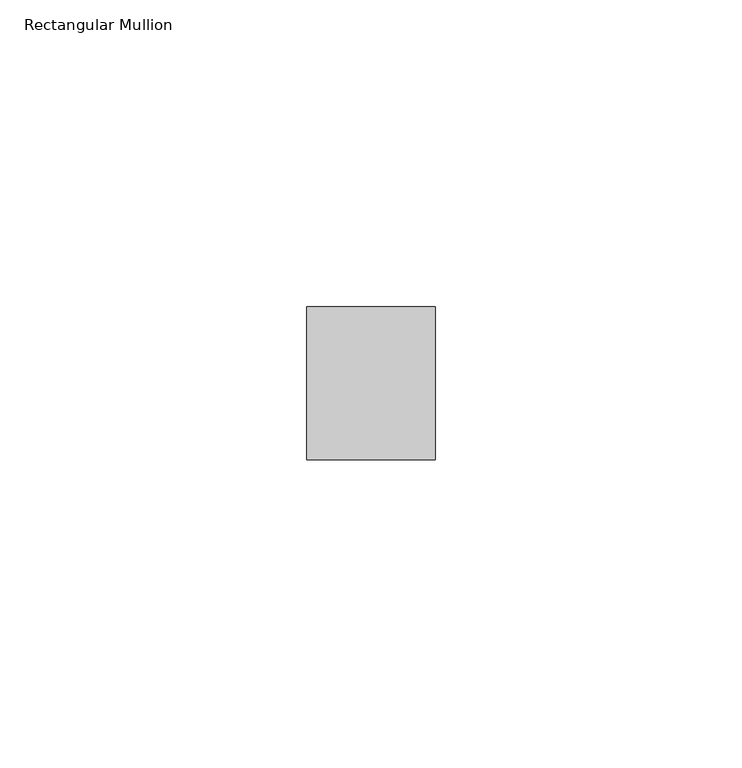
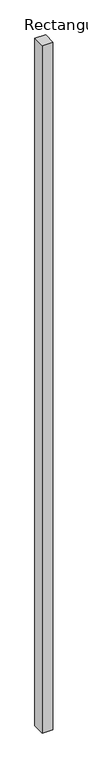
"""IFC4 building model written with IfcOpenShell, lengths in millimetres: member geometry, Rectangular Mullion."""

from ifc_helpers import new_model, si_unit, frame, origin, place, context, project, spatial, polyline, outline, extrude, source, transform, mapped, element, save


def rectangular_mullion_84f0fee9(model_context):
    return source(origin(), model_context, "Body", "SweptSolid", [
        extrude(outline(polyline([(0.0, 12.5), (0.0, -12.5), (-21.0, -12.5), (-21.0, 12.5), (0.0, 12.5)])), frame((0.0, 0.0, -1424.9999998), z_axis=(0.0, 0.0, 1.0), x_axis=(1.0, 0.0, 0.0)), (0.0, 0.0, 1.0), 1424.9999998),
    ])


if __name__ == "__main__":
    model = new_model("IFC4")
    model_context = context("Model", 3, world=origin())
    ifc_project = project(units=[si_unit("LENGTHUNIT", "METRE", prefix="MILLI")], contexts=[model_context])
    site = spatial("IfcSite", under=ifc_project)
    building = spatial("IfcBuilding", under=site)
    placement = place(None, origin())
    rectangular_mullion_shape = rectangular_mullion_84f0fee9(model_context)
    element("IfcMember", 1, ObjectType="Rectangular Mullion", at=placement, inside=building, context=model_context, shape_type="MappedRepresentation", body=[
        mapped(rectangular_mullion_shape, transform((0.0, 0.0, 0.0), x_axis=(1.0, 0.0, 0.0), y_axis=(0.0, 1.0, 0.0), z_axis=(0.0, 0.0, 1.0))),
    ])
    save(model, "model.ifc")
